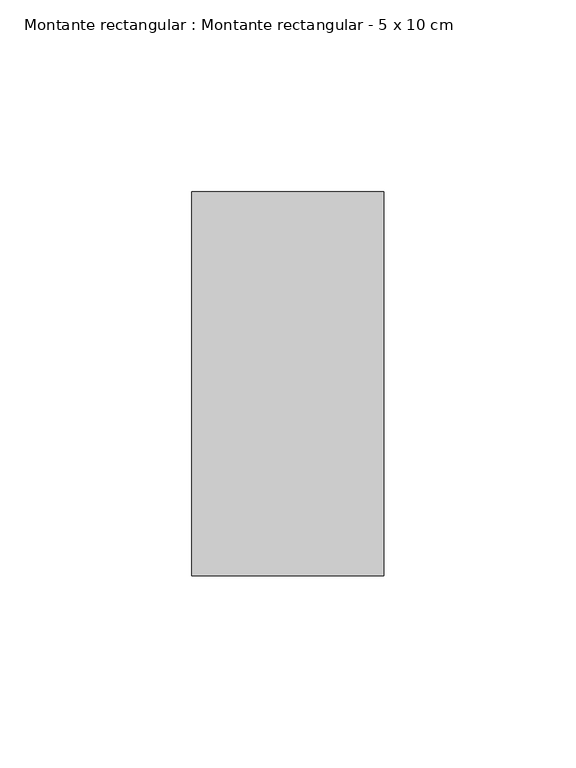
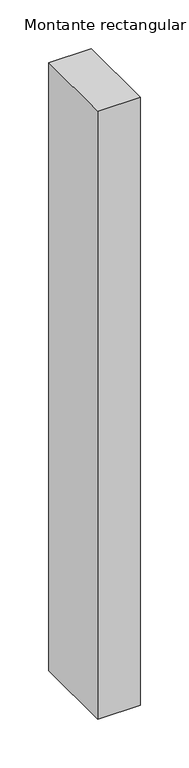
"""IFC4 building model written with IfcOpenShell, lengths in millimetres: member geometry, Montante rectangular : Montante rectangular - 5 x 10 cm."""

from ifc_helpers import new_model, si_unit, frame, origin, place, context, project, spatial, polyline, outline, extrude, source, transform, mapped, element, save


def montante_rectangular_montante_rectangular_5_x_10_cm_6f186c23(model_context):
    return source(origin(), model_context, "Body", "SweptSolid", [
        extrude(outline(polyline([(-50.0, 50.0), (0.0, 50.0), (0.0, -50.0), (-50.0, -50.0), (-50.0, 50.0)])), frame((0.0, 0.0, -759.1056742), z_axis=(0.0, 0.0, 1.0), x_axis=(1.0, 0.0, 0.0)), (0.0, 0.0, 1.0), 759.1056742),
    ])


if __name__ == "__main__":
    model = new_model("IFC4")
    model_context = context("Model", 3, world=origin())
    ifc_project = project(units=[si_unit("LENGTHUNIT", "METRE", prefix="MILLI")], contexts=[model_context])
    site = spatial("IfcSite", under=ifc_project)
    building = spatial("IfcBuilding", under=site)
    placement = place(None, origin())
    montante_rectangular_montante_rectangular_5_x_10_cm_shape = montante_rectangular_montante_rectangular_5_x_10_cm_6f186c23(model_context)
    element("IfcMember", 1, ObjectType="Montante rectangular : Montante rectangular - 5 x 10 cm", at=placement, inside=building, context=model_context, shape_type="MappedRepresentation", body=[
        mapped(montante_rectangular_montante_rectangular_5_x_10_cm_shape, transform((0.0, 0.0, 0.0), x_axis=(1.0, 0.0, 0.0), y_axis=(0.0, 1.0, 0.0), z_axis=(0.0, 0.0, 1.0))),
    ])
    save(model, "model.ifc")
